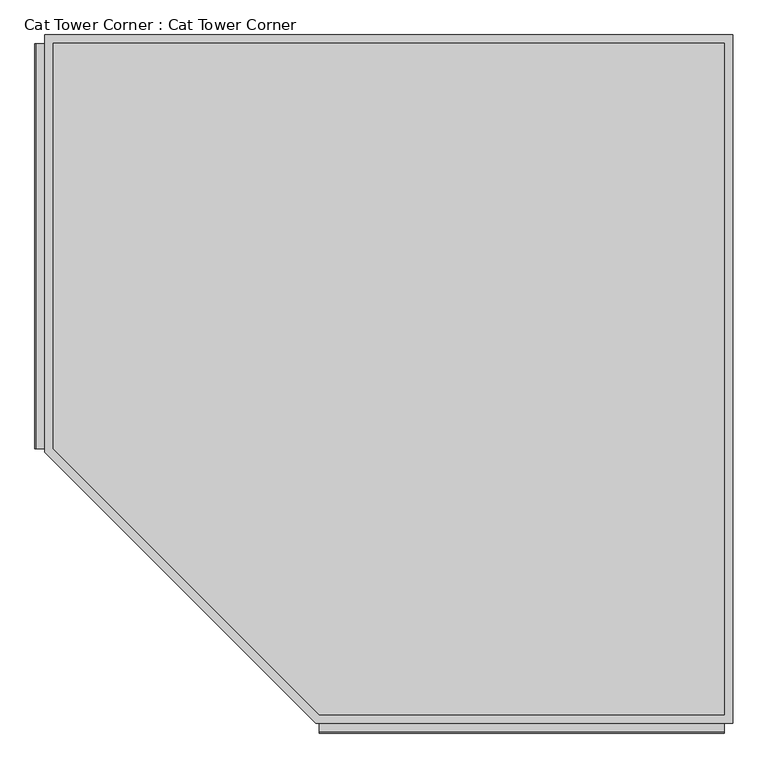
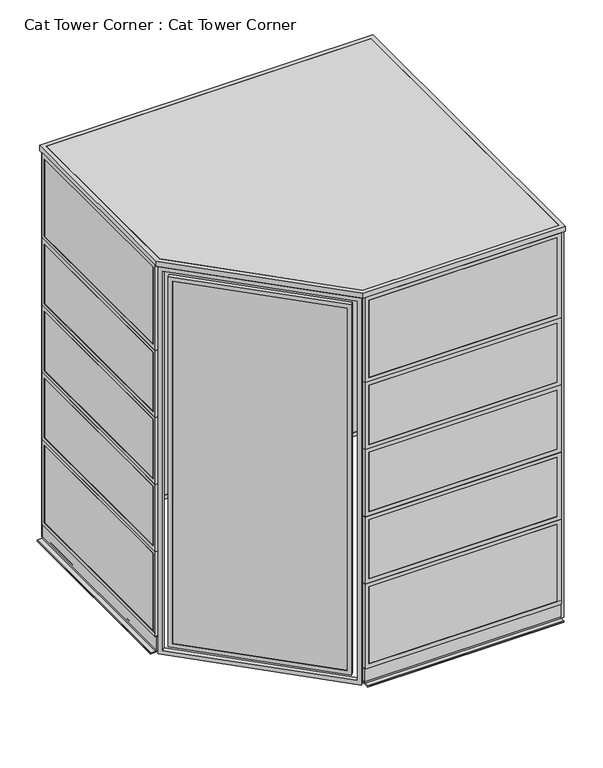
"""IFC4 building model written with IfcOpenShell, lengths in millimetres: proxy geometry, Cat Tower Corner : Cat Tower Corner."""

from ifc_helpers import new_model, si_unit, point, frame, frame_2d, origin, place, context, project, spatial, polyline, circle_curve, trimmed, segment, composite_curve, outline, extrude, source, transform, mapped, element, save


def cat_tower_corner_cat_tower_corner_5599212a(model_context):
    return source(origin(), model_context, "Body", "SweptSolid", [
        extrude(outline(polyline([(-1822.45, 0.0), (-1822.45, 766.2101034), (0.0, 766.2101034), (0.0, 0.0), (-1822.45, 0.0)]), holes=[polyline([(-19.05, 747.1601034), (-1803.4, 747.1601034), (-1803.4, 19.05), (-19.05, 19.05), (-19.05, 747.1601034)])]), frame((25.2361941, 262.1802441, 1863.725), z_axis=(0.7071067811865487, 0.7071067811865465, 0.0), x_axis=(0.0, 0.0, 1.0)), (0.0, 0.0, 1.0), 19.05),
        extrude(outline(polyline([(39.8291103, 249.832392), (42.0741743, 252.077456), (556.9257659, -262.7741356), (554.6807019, -265.0191996), (39.8291103, 249.832392)])), frame((0.0, 0.0, 60.325), z_axis=(0.0, 0.0, 1.0), x_axis=(1.0, 0.0, 0.0)), (0.0, 0.0, 1.0), 1784.35),
        extrude(outline(polyline([(1905.0, 0.0), (0.0, 0.0), (0.0, 848.748071), (1905.0, 848.748071), (1905.0, 0.0)]), holes=[polyline([(1885.95, 19.05), (1885.95, 829.6980709), (19.05, 829.6980709), (19.05, 19.05), (1885.95, 19.05)])]), frame((596.2101323, -308.7936941, 1905.0), z_axis=(0.7071067811865487, 0.7071067811865465, 0.0), x_axis=(0.0, 0.0, -1.0)), (0.0, 0.0, 1.0), 19.05),
        extrude(outline(polyline([(1905.0, 1524.0644132), (1905.0, 0.0644132), (0.0, 0.0644132), (0.0, 1524.0644132), (1905.0, 1524.0644132)]), holes=[polyline([(19.05, 19.1144132), (1885.95, 19.1144132), (1885.95, 1505.0144132), (19.05, 1505.0144132), (19.05, 19.1144132)])]), frame((0.0, 1219.2644132, 0.0), z_axis=(0.0, 1.0, 0.0), x_axis=(0.0, 0.0, 1.0)), (0.0, 0.0, 1.0), 19.05),
        extrude(outline(polyline([(1505.0144132, 1220.8519132), (19.1144132, 1220.8519132), (19.1144132, 1236.7269132), (1505.0144132, 1236.7269132), (1505.0144132, 1220.8519132)])), frame((0.0, 0.0, 19.05), z_axis=(0.0, 0.0, 1.0), x_axis=(1.0, 0.0, 0.0)), (0.0, 0.0, 1.0), 1866.9),
        extrude(outline(polyline([(-304.7355868, 1905.0), (1219.2644132, 1905.0), (1219.2644132, 0.0), (-304.7355868, 0.0), (-304.7355868, 1905.0)]), holes=[polyline([(1200.2144132, 19.05), (1200.2144132, 1885.95), (-285.6855868, 1885.95), (-285.6855868, 19.05), (1200.2144132, 19.05)])]), frame((1524.0644132, 0.0, 0.0), z_axis=(1.0, 0.0, 0.0), x_axis=(0.0, 1.0, 0.0)), (0.0, 0.0, 1.0), 19.05),
        extrude(outline(polyline([(1525.6519132, -285.6855868), (1525.6519132, 1200.2144132), (1541.5269132, 1200.2144132), (1541.5269132, -285.6855868), (1525.6519132, -285.6855868)])), frame((0.0, 0.0, 19.05), z_axis=(0.0, 0.0, 1.0), x_axis=(1.0, 0.0, 0.0)), (0.0, 0.0, 1.0), 1866.9),
        extrude(outline(polyline([(304.8644132, 495.3), (304.8644132, 825.5), (1219.2644132, 825.5), (1219.2644132, 495.3), (304.8644132, 495.3)]), holes=[polyline([(323.9144132, 806.45), (323.9144132, 514.35), (1200.2144132, 514.35), (1200.2144132, 806.45), (323.9144132, 806.45)])]), frame((-9.525, 0.0, 0.0), z_axis=(1.0, 0.0, 0.0), x_axis=(0.0, 1.0, 0.0)), (0.0, 0.0, 1.0), 19.05),
        extrude(outline(polyline([(304.8644132, 825.5), (304.8644132, 1155.7), (1219.2644132, 1155.7), (1219.2644132, 825.5), (304.8644132, 825.5)]), holes=[polyline([(323.9144132, 1136.65), (323.9144132, 844.55), (1200.2144132, 844.55), (1200.2144132, 1136.65), (323.9144132, 1136.65)])]), frame((-9.525, 0.0, 0.0), z_axis=(1.0, 0.0, 0.0), x_axis=(0.0, 1.0, 0.0)), (0.0, 0.0, 1.0), 19.05),
        extrude(outline(polyline([(304.8644132, 1155.7), (304.8644132, 1485.9), (1219.2644132, 1485.9), (1219.2644132, 1155.7), (304.8644132, 1155.7)]), holes=[polyline([(323.9144132, 1466.85), (323.9144132, 1174.75), (1200.2144132, 1174.75), (1200.2144132, 1466.85), (323.9144132, 1466.85)])]), frame((-9.525, 0.0, 0.0), z_axis=(1.0, 0.0, 0.0), x_axis=(0.0, 1.0, 0.0)), (0.0, 0.0, 1.0), 19.05),
        extrude(outline(polyline([(304.8644132, 495.3), (1219.2644132, 495.3), (1219.2644132, 76.99375), (304.8644132, 76.99375), (304.8644132, 495.3)]), holes=[polyline([(1200.2144132, 96.04375), (1200.2144132, 476.25), (323.9144132, 476.25), (323.9144132, 96.04375), (1200.2144132, 96.04375)])]), frame((-9.525, 0.0, 0.0), z_axis=(1.0, 0.0, 0.0), x_axis=(0.0, 1.0, 0.0)), (0.0, 0.0, 1.0), 19.05),
        extrude(outline(polyline([(304.8644132, 1485.9), (304.8644132, 1905.0), (1219.2644132, 1905.0), (1219.2644132, 1485.9), (304.8644132, 1485.9)]), holes=[polyline([(323.9144132, 1885.95), (323.9144132, 1504.95), (1200.2144132, 1504.95), (1200.2144132, 1885.95), (323.9144132, 1885.95)])]), frame((-9.525, 0.0, 0.0), z_axis=(1.0, 0.0, 0.0), x_axis=(0.0, 1.0, 0.0)), (0.0, 0.0, 1.0), 19.05),
        extrude(outline(polyline([(7.9375, 323.9144132), (-7.9375, 323.9144132), (-7.9375, 1200.2144132), (7.9375, 1200.2144132), (7.9375, 323.9144132)])), frame((0.0, 0.0, 514.35), z_axis=(0.0, 0.0, 1.0), x_axis=(1.0, 0.0, 0.0)), (0.0, 0.0, 1.0), 292.1),
        extrude(outline(polyline([(7.9375, 323.9144132), (-7.9375, 323.9144132), (-7.9375, 1200.2144132), (7.9375, 1200.2144132), (7.9375, 323.9144132)])), frame((0.0, 0.0, 844.55), z_axis=(0.0, 0.0, 1.0), x_axis=(1.0, 0.0, 0.0)), (0.0, 0.0, 1.0), 292.1),
        extrude(outline(polyline([(7.9375, 323.9144132), (-7.9375, 323.9144132), (-7.9375, 1200.2144132), (7.9375, 1200.2144132), (7.9375, 323.9144132)])), frame((0.0, 0.0, 1174.75), z_axis=(0.0, 0.0, 1.0), x_axis=(1.0, 0.0, 0.0)), (0.0, 0.0, 1.0), 292.1),
        extrude(outline(polyline([(7.9375, 323.9144132), (-7.9375, 323.9144132), (-7.9375, 1200.2144132), (7.9375, 1200.2144132), (7.9375, 323.9144132)])), frame((0.0, 0.0, 96.04375), z_axis=(0.0, 0.0, 1.0), x_axis=(1.0, 0.0, 0.0)), (0.0, 0.0, 1.0), 380.20625),
        extrude(outline(polyline([(7.9375, 323.9144132), (-7.9375, 323.9144132), (-7.9375, 1200.2144132), (7.9375, 1200.2144132), (7.9375, 323.9144132)])), frame((0.0, 0.0, 1504.95), z_axis=(0.0, 0.0, 1.0), x_axis=(1.0, 0.0, 0.0)), (0.0, 0.0, 1.0), 381.0),
        extrude(outline(polyline([(495.3, 609.6644132), (495.3, 1524.0644132), (825.5, 1524.0644132), (825.5, 609.6644132), (495.3, 609.6644132)]), holes=[polyline([(806.45, 628.7144132), (806.45, 1505.0144132), (514.35, 1505.0144132), (514.35, 628.7144132), (806.45, 628.7144132)])]), frame((0.0, -314.3572066, 0.0), z_axis=(0.0, 1.0, 0.0), x_axis=(0.0, 0.0, 1.0)), (0.0, 0.0, 1.0), 19.05),
        extrude(outline(polyline([(825.5, 609.6644132), (825.5, 1524.0644132), (1155.7, 1524.0644132), (1155.7, 609.6644132), (825.5, 609.6644132)]), holes=[polyline([(1136.65, 628.7144132), (1136.65, 1505.0144132), (844.55, 1505.0144132), (844.55, 628.7144132), (1136.65, 628.7144132)])]), frame((0.0, -314.3572066, 0.0), z_axis=(0.0, 1.0, 0.0), x_axis=(0.0, 0.0, 1.0)), (0.0, 0.0, 1.0), 19.05),
        extrude(outline(polyline([(1155.7, 609.6644132), (1155.7, 1524.0644132), (1485.9, 1524.0644132), (1485.9, 609.6644132), (1155.7, 609.6644132)]), holes=[polyline([(1466.85, 628.7144132), (1466.85, 1505.0144132), (1174.75, 1505.0144132), (1174.75, 628.7144132), (1466.85, 628.7144132)])]), frame((0.0, -314.3572066, 0.0), z_axis=(0.0, 1.0, 0.0), x_axis=(0.0, 0.0, 1.0)), (0.0, 0.0, 1.0), 19.05),
        extrude(outline(polyline([(495.3, 609.6644132), (76.99375, 609.6644132), (76.99375, 1524.0644132), (495.3, 1524.0644132), (495.3, 609.6644132)]), holes=[polyline([(96.04375, 1505.0144132), (96.04375, 628.7144132), (476.25, 628.7144132), (476.25, 1505.0144132), (96.04375, 1505.0144132)])]), frame((0.0, -314.3572066, 0.0), z_axis=(0.0, 1.0, 0.0), x_axis=(0.0, 0.0, 1.0)), (0.0, 0.0, 1.0), 19.05),
        extrude(outline(polyline([(1485.9, 609.6644132), (1485.9, 1524.0644132), (1905.0, 1524.0644132), (1905.0, 609.6644132), (1485.9, 609.6644132)]), holes=[polyline([(1885.95, 628.7144132), (1885.95, 1505.0144132), (1504.95, 1505.0144132), (1504.95, 628.7144132), (1885.95, 628.7144132)])]), frame((0.0, -314.3572066, 0.0), z_axis=(0.0, 1.0, 0.0), x_axis=(0.0, 0.0, 1.0)), (0.0, 0.0, 1.0), 19.05),
        extrude(outline(polyline([(628.7144132, -296.8947066), (1505.0144132, -296.8947066), (1505.0144132, -312.7697066), (628.7144132, -312.7697066), (628.7144132, -296.8947066)])), frame((0.0, 0.0, 514.35), z_axis=(0.0, 0.0, 1.0), x_axis=(1.0, 0.0, 0.0)), (0.0, 0.0, 1.0), 292.1),
        extrude(outline(polyline([(628.7144132, -296.8947066), (1505.0144132, -296.8947066), (1505.0144132, -312.7697066), (628.7144132, -312.7697066), (628.7144132, -296.8947066)])), frame((0.0, 0.0, 844.55), z_axis=(0.0, 0.0, 1.0), x_axis=(1.0, 0.0, 0.0)), (0.0, 0.0, 1.0), 292.1),
        extrude(outline(polyline([(628.7144132, -296.8947066), (1505.0144132, -296.8947066), (1505.0144132, -312.7697066), (628.7144132, -312.7697066), (628.7144132, -296.8947066)])), frame((0.0, 0.0, 1174.75), z_axis=(0.0, 0.0, 1.0), x_axis=(1.0, 0.0, 0.0)), (0.0, 0.0, 1.0), 292.1),
        extrude(outline(polyline([(628.7144132, -296.8947066), (1505.0144132, -296.8947066), (1505.0144132, -312.7697066), (628.7144132, -312.7697066), (628.7144132, -296.8947066)])), frame((0.0, 0.0, 96.04375), z_axis=(0.0, 0.0, 1.0), x_axis=(1.0, 0.0, 0.0)), (0.0, 0.0, 1.0), 380.20625),
        extrude(outline(polyline([(628.7144132, -296.8947066), (1505.0144132, -296.8947066), (1505.0144132, -312.7697066), (628.7144132, -312.7697066), (628.7144132, -296.8947066)])), frame((0.0, 0.0, 1504.95), z_axis=(0.0, 0.0, 1.0), x_axis=(1.0, 0.0, 0.0)), (0.0, 0.0, 1.0), 381.0),
        extrude(outline(composite_curve([segment(polyline([(-273.0822066, 0.0), (-276.2572066, 0.0), (-276.2572066, 1.5875), (-333.3427934, 1.5875), (-333.3427934, 0.0), (-336.5177934, 0.0), (-336.5177934, 3.175)]), True, "CONTINUOUS"), segment(trimmed(circle_curve(frame_2d((-333.3427934, 3.175)), 3.175), [point((-336.5177934, 3.175))], [point((-333.3427934, 6.35))], False, "CARTESIAN"), True, "CONTINUOUS"), segment(polyline([(-333.3427934, 6.35), (-313.7645438, 7.1657604)]), True, "CONTINUOUS"), segment(trimmed(circle_curve(frame_2d((-314.2927934, 13.49375)), 6.35), [point((-313.7645438, 7.1657604))], [point((-307.9427934, 13.49375))], True, "CARTESIAN"), True, "CONTINUOUS"), segment(polyline([(-307.9427934, 13.49375), (-311.1177934, 13.49375), (-311.1177934, 76.99375), (-314.3572066, 76.99375), (-314.3572066, 96.04375), (-311.1822066, 96.04375), (-311.1822066, 80.16875), (-298.4177934, 80.16875), (-298.4177934, 96.04375), (-295.3072066, 96.04375), (-295.3072066, 76.99375), (-298.4822066, 76.99375), (-298.4822066, 13.4291104), (-301.5927934, 13.4291104)]), True, "CONTINUOUS"), segment(trimmed(circle_curve(frame_2d((-295.3072066, 13.4291104)), 6.2855868), [point((-301.5927934, 13.4291104))], [point((-295.8354562, 7.1657604))], True, "CARTESIAN"), True, "CONTINUOUS"), segment(polyline([(-295.8354562, 7.1657604), (-276.2572066, 6.35)]), True, "CONTINUOUS"), segment(trimmed(circle_curve(frame_2d((-276.2572066, 3.175)), 3.175), [point((-276.2572066, 6.35))], [point((-273.0822066, 3.175))], False, "CARTESIAN"), True, "CONTINUOUS"), segment(polyline([(-273.0822066, 3.175), (-273.0822066, 0.0)]), True, "CONTINUOUS")], self_intersect=False)), frame((609.6644132, 0.0, 0.0), z_axis=(1.0, 0.0, 0.0), x_axis=(0.0, 1.0, 0.0)), (0.0, 0.0, 1.0), 914.4),
        extrude(outline(composite_curve([segment(polyline([(0.0, 31.8144132), (3.1061831, 31.8144132)]), True, "CONTINUOUS"), segment(trimmed(circle_curve(frame_2d((3.1061831, 28.6394132)), 3.175), [point((3.1061831, 31.8144132))], [point((6.2811831, 28.6394132))], False, "CARTESIAN"), True, "CONTINUOUS"), segment(polyline([(6.2811831, 28.6394132), (7.0969435, 9.0611636)]), True, "CONTINUOUS"), segment(trimmed(circle_curve(frame_2d((13.4249331, 9.5894132)), 6.35), [point((7.0969435, 9.0611636))], [point((13.4249331, 3.2394132))], True, "CARTESIAN"), True, "CONTINUOUS"), segment(polyline([(13.4249331, 3.2394132), (13.4249331, 6.4144132), (76.9249331, 6.4144132), (76.9249331, 9.525), (95.9749331, 9.525), (95.9749331, 6.35), (80.0999331, 6.35), (80.0999331, -6.35), (95.9749331, -6.35), (95.9749331, -9.525), (76.9249331, -9.525), (76.9249331, -6.2855868), (13.4249331, -6.2855868), (13.4249331, -3.1105868)]), True, "CONTINUOUS"), segment(trimmed(circle_curve(frame_2d((13.4249331, -9.4605868)), 6.35), [point((13.4249331, -3.1105868))], [point((7.0969435, -8.9323372))], True, "CARTESIAN"), True, "CONTINUOUS"), segment(polyline([(7.0969435, -8.9323372), (6.2811831, -28.5105868)]), True, "CONTINUOUS"), segment(trimmed(circle_curve(frame_2d((3.1061831, -28.5105868)), 3.175), [point((6.2811831, -28.5105868))], [point((3.1061831, -31.6855868))], False, "CARTESIAN"), True, "CONTINUOUS"), segment(polyline([(3.1061831, -31.6855868), (0.0, -31.6855868), (0.0, -28.5105868), (1.5186831, -28.5105868), (1.5186831, 28.6394132), (0.0, 28.6394132), (0.0, 31.8144132)]), True, "CONTINUOUS")], self_intersect=False)), frame((0.0, 304.8644132, 0.0), z_axis=(0.0, 1.0, 0.0), x_axis=(0.0, 0.0, 1.0)), (0.0, 0.0, 1.0), 914.4),
        extrude(outline(polyline([(-9.525, 296.9414382), (-9.525, 1238.3144132), (1543.1144132, 1238.3144132), (1543.1144132, -314.3572066), (601.7736449, -314.3572066), (-9.525, 296.9414382)]), holes=[polyline([(9.525, 304.8322066), (609.6, -295.2427934), (1524.0644132, -295.2427934), (1524.0644132, 1219.2644132), (9.525, 1219.2644132), (9.525, 304.8322066)])]), frame((0.0, 0.0, 1905.0), z_axis=(0.0, 0.0, 1.0), x_axis=(1.0, 0.0, 0.0)), (0.0, 0.0, 1.0), 25.4),
        extrude(outline(polyline([(1524.0644132, 1219.2644132), (1524.0644132, -295.2427934), (609.6, -295.2427934), (9.525, 304.8322066), (9.525, 1219.2644132), (1524.0644132, 1219.2644132)])), frame((0.0, 0.0, 1927.225), z_axis=(0.0, 0.0, 1.0), x_axis=(1.0, 0.0, 0.0)), (0.0, 0.0, 1.0), 3.175),
    ])


if __name__ == "__main__":
    model = new_model("IFC4")
    model_context = context("Model", 3, world=origin())
    ifc_project = project(units=[si_unit("LENGTHUNIT", "METRE", prefix="MILLI")], contexts=[model_context])
    site = spatial("IfcSite", under=ifc_project)
    building = spatial("IfcBuilding", under=site)
    placement = place(None, origin())
    cat_tower_corner_cat_tower_corner_shape = cat_tower_corner_cat_tower_corner_5599212a(model_context)
    element("IfcBuildingElementProxy", 1, Name="Cat Tower Corner : Cat Tower Corner", ObjectType="Cat Tower Corner : Cat Tower Corner", at=placement, inside=building, context=model_context, shape_type="MappedRepresentation", body=[
        mapped(cat_tower_corner_cat_tower_corner_shape, transform((0.0, 0.0, 0.0), x_axis=(1.0, 0.0, 0.0), y_axis=(0.0, 1.0, 0.0), z_axis=(0.0, 0.0, 1.0))),
    ])
    save(model, "model.ifc")
